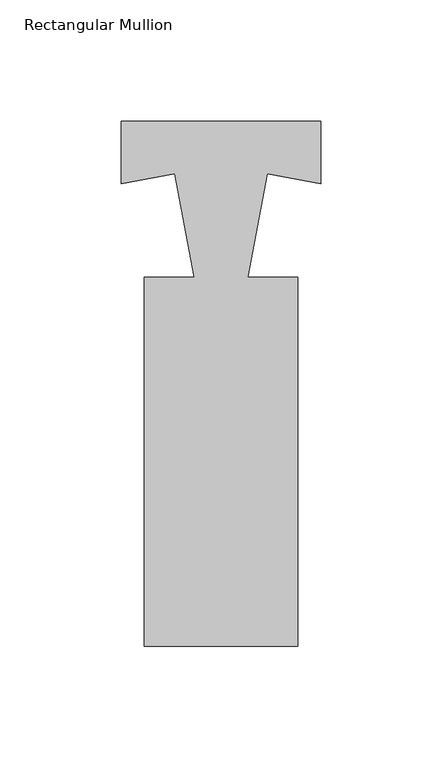
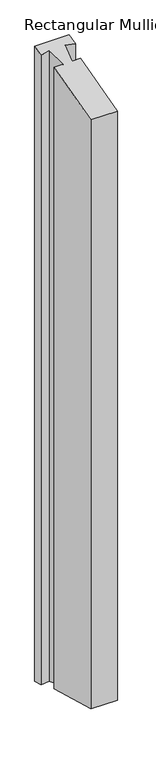
"""IFC4 building model written with IfcOpenShell, lengths in millimetres: member geometry, Rectangular Mullion."""

from ifc_helpers import new_model, si_unit, origin, place, context, project, spatial, faceted_brep, source, transform, mapped, element, save


def rectangular_mullion_634223bd(model_context):
    return source(origin(), model_context, "Body", "Brep", [
        faceted_brep([(-31.75, -156.5375705, -41.9441156), (-31.75, -4.1375705, -1.1086587), (-31.75, -4.1375705, -1576.6531641), (-31.75, -156.5375705, -1535.8517348), (31.75, -156.5375705, -41.9441156), (31.75, -156.5375705, -1535.8517348), (31.75, -4.1375705, -1.1086587), (31.75, -4.1375705, -1576.6531641), (11.1120581, -4.1375705, -1.1086587), (11.1120581, -4.1375705, -1576.6531641), (19.0870757, 38.7027174, 10.3703619), (19.0870757, 38.7027174, -1588.1226193), (41.2744654, 34.5723805, 9.2636414), (41.2744654, 34.5723805, -1587.0168211), (41.2744654, 60.4487708, 16.1971993), (41.2744654, 60.4487708, -1593.9446013), (-41.2744654, 60.4487708, 16.1971993), (-41.2744654, 60.4487708, -1593.9446013), (-41.2744654, 34.5723805, 9.2636414), (-41.2744654, 34.5723805, -1587.0168211), (-19.0870757, 38.7027174, 10.3703619), (-19.0870757, 38.7027174, -1588.1226193), (-11.1120581, -4.1375705, -1.1086587), (-11.1120581, -4.1375705, -1576.6531641)], [[[0, 1, 2, 3]], [[4, 0, 3, 5]], [[6, 4, 5, 7]], [[8, 6, 7, 9]], [[10, 8, 9, 11]], [[12, 10, 11, 13]], [[14, 12, 13, 15]], [[16, 14, 15, 17]], [[18, 16, 17, 19]], [[20, 18, 19, 21]], [[22, 20, 21, 23]], [[1, 22, 23, 2]], [[1, 0, 4, 6, 8, 10, 12, 14, 16, 18, 20, 22]], [[2, 23, 21, 19, 17, 15, 13, 11, 9, 7, 5, 3]]]),
    ])


if __name__ == "__main__":
    model = new_model("IFC4")
    model_context = context("Model", 3, world=origin())
    ifc_project = project(units=[si_unit("LENGTHUNIT", "METRE", prefix="MILLI")], contexts=[model_context])
    site = spatial("IfcSite", under=ifc_project)
    building = spatial("IfcBuilding", under=site)
    placement = place(None, origin())
    rectangular_mullion_shape = rectangular_mullion_634223bd(model_context)
    element("IfcMember", 1, ObjectType="Rectangular Mullion", at=placement, inside=building, context=model_context, shape_type="MappedRepresentation", body=[
        mapped(rectangular_mullion_shape, transform((0.0, 0.0, 0.0), x_axis=(1.0, 0.0, 0.0), y_axis=(0.0, 1.0, 0.0), z_axis=(0.0, 0.0, 1.0))),
    ])
    save(model, "model.ifc")
